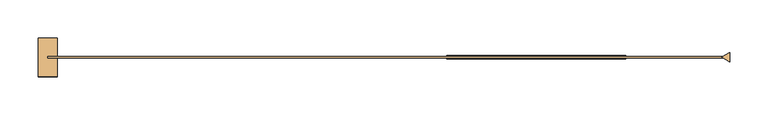
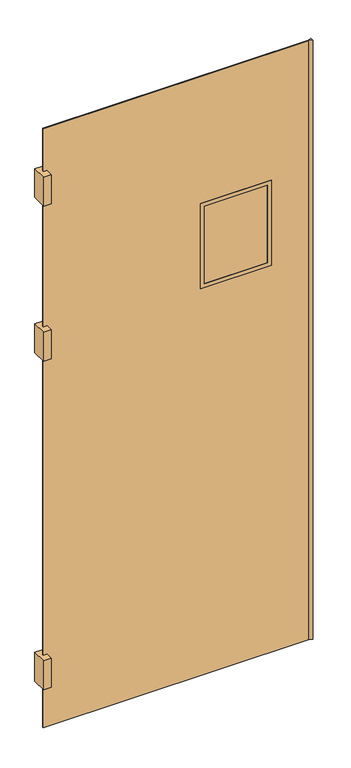
"""IFC4 building model written with IfcOpenShell, lengths in millimetres: door geometry."""

from ifc_helpers import new_model, si_unit, frame, origin, place, context, project, spatial, polyline, outline, extrude, source, transform, mapped, element, save


def door_a8938327(model_context):
    return source(origin(), model_context, "Body", "SweptSolid", [
        extrude(outline(polyline([(1201.0906968, -888.0410438), (1175.6906968, -888.0410438), (1175.6906968, -837.2410438), (1201.0906968, -837.2410438), (1201.0906968, -888.0410438)])), frame((0.0, 0.0, 1320.8), z_axis=(0.0, 0.0, 1.0), x_axis=(1.0, 0.0, 0.0)), (0.0, 0.0, 1.0), 101.6),
        extrude(outline(polyline([(1201.0906968, -888.0410438), (1175.6906968, -888.0410438), (1175.6906968, -837.2410438), (1201.0906968, -837.2410438), (1201.0906968, -888.0410438)])), frame((0.0, 0.0, 1866.9), z_axis=(0.0, 0.0, 1.0), x_axis=(1.0, 0.0, 0.0)), (0.0, 0.0, 1.0), 101.6),
        extrude(outline(polyline([(1201.0906968, -888.0410438), (1175.6906968, -888.0410438), (1175.6906968, -837.2410438), (1201.0906968, -837.2410438), (1201.0906968, -888.0410438)])), frame((0.0, 0.0, 165.1), z_axis=(0.0, 0.0, 1.0), x_axis=(1.0, 0.0, 0.0)), (0.0, 0.0, 1.0), 101.6),
        extrude(outline(polyline([(2083.7406968, -856.2910438), (2083.7406968, -868.9910438), (2072.7421742, -862.6410438), (2083.7406968, -856.2910438)])), frame((0.0, 0.0, 12.7), z_axis=(0.0, 0.0, 1.0), x_axis=(1.0, 0.0, 0.0)), (0.0, 0.0, 1.0), 2108.2),
        extrude(outline(polyline([(1934.5156968, -863.4347938), (1724.9656968, -863.4347938), (1724.9656968, -861.8472938), (1934.5156968, -861.8472938), (1934.5156968, -863.4347938)])), frame((0.0, 0.0, 1387.475), z_axis=(0.0, 0.0, 1.0), x_axis=(1.0, 0.0, 0.0)), (0.0, 0.0, 1.0), 273.05),
        extrude(outline(polyline([(1673.225, 1947.2156968), (1673.225, 1712.2656968), (1374.775, 1712.2656968), (1374.775, 1947.2156968), (1673.225, 1947.2156968)]), holes=[polyline([(1387.475, 1934.5156968), (1387.475, 1724.9656968), (1660.525, 1724.9656968), (1660.525, 1934.5156968), (1387.475, 1934.5156968)])]), frame((0.0, -865.0222938, 0.0), z_axis=(0.0, 1.0, 0.0), x_axis=(0.0, 0.0, 1.0)), (0.0, 0.0, 1.0), 4.7625),
        extrude(outline(polyline([(2120.9, 2077.3906968), (2120.9, 1188.3906968), (12.7, 1188.3906968), (12.7, 2077.3906968), (2120.9, 2077.3906968)]), holes=[polyline([(1663.7, 1937.6906968), (1384.3, 1937.6906968), (1384.3, 1721.7906968), (1663.7, 1721.7906968), (1663.7, 1937.6906968)])]), frame((0.0, -863.4347938, 0.0), z_axis=(0.0, 1.0, 0.0), x_axis=(0.0, 0.0, 1.0)), (0.0, 0.0, 1.0), 1.5875),
    ])


if __name__ == "__main__":
    model = new_model("IFC4")
    model_context = context("Model", 3, world=origin())
    ifc_project = project(units=[si_unit("LENGTHUNIT", "METRE", prefix="MILLI")], contexts=[model_context])
    site = spatial("IfcSite", under=ifc_project)
    building = spatial("IfcBuilding", under=site)
    placement = place(None, origin())
    door_shape = door_a8938327(model_context)
    element("IfcDoor", 1, at=placement, inside=building, context=model_context, shape_type="MappedRepresentation", body=[
        mapped(door_shape, transform((0.0, 0.0, 0.0), x_axis=(1.0, 0.0, 0.0), y_axis=(0.0, 1.0, 0.0), z_axis=(0.0, 0.0, 1.0))),
    ])
    save(model, "model.ifc")
